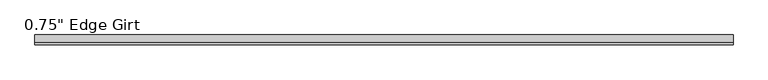
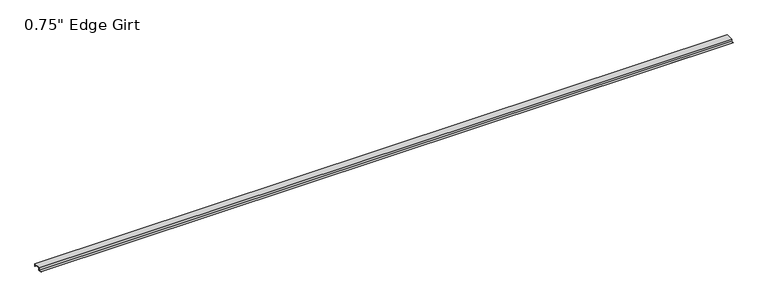
"""IFC4 building model written with IfcOpenShell, lengths in millimetres: proxy geometry."""

import ifcopenshell
import ifcopenshell.guid

model = None  # the IFC model being written
_history = None  # IfcOwnerHistory: only IFC2X3 demands one
_inside = {}  # id of a spatial element -> (the spatial element, [elements in it])
_under = {}  # id of a project, library or spatial element -> (it, [spatial elements below it])
_declared = {}  # id of a project -> (the project, [libraries it declares])
_typed = {}  # id of a type object -> (the type object, [elements of that type])
_made_of = {}  # id of a material, layer set ... -> (it, [elements and type objects made of it])


def new_model(schema):
    """Start an empty IFC model of exactly this schema.

    Asked for "IFC4X3", IfcOpenShell would pick the latest addendum, in which some entities
    have other attributes; the version numbers below select the first issue.
    IFC2X3 requires an IfcOwnerHistory on every rooted entity: one is made here for all.
    """
    global model, _history
    if schema == "IFC4X3":
        model = ifcopenshell.file(schema_version=(4, 3, 0, 0))
    else:
        model = ifcopenshell.file(schema=schema)
    _inside.clear()
    _under.clear()
    _declared.clear()
    _typed.clear()
    _made_of.clear()
    _history = None
    if model.schema == "IFC2X3":
        org = make("IfcOrganization", Name="unknown")
        user = make(
            "IfcPersonAndOrganization",
            ThePerson=make("IfcPerson", FamilyName="unknown"),
            TheOrganization=org,
        )
        app = make(
            "IfcApplication",
            ApplicationDeveloper=org,
            Version="unknown",
            ApplicationFullName="unknown",
            ApplicationIdentifier="unknown",
        )
        _history = make(
            "IfcOwnerHistory",
            OwningUser=user,
            OwningApplication=app,
            ChangeAction="ADDED",
            CreationDate=0,
        )
    return model


def make(cls, **values):
    """One entity of the class cls with the attributes given. An attribute that is None is left unset."""
    return model.create_entity(
        cls, **{name: value for name, value in values.items() if value is not None}
    )


def rooted(cls, **values):
    """An entity with a GlobalId (a new one), such as an element, a storey or a relation."""
    return make(cls, GlobalId=ifcopenshell.guid.new(), OwnerHistory=_history, **values)


def si_unit(unit_type, name, prefix=None):
    """IfcSIUnit, for example si_unit("LENGTHUNIT", "METRE", prefix="MILLI")."""
    return make("IfcSIUnit", UnitType=unit_type, Prefix=prefix, Name=name)


def assignment(units):
    """IfcUnitAssignment: the units of a project."""
    return None if units is None else make("IfcUnitAssignment", Units=units)


def point(xyz):
    """IfcCartesianPoint."""
    return None if xyz is None else make("IfcCartesianPoint", Coordinates=xyz)


def direction(xyz):
    """IfcDirection."""
    return None if xyz is None else make("IfcDirection", DirectionRatios=xyz)


def frame(location, z_axis=None, x_axis=None):
    """IfcAxis2Placement3D, a coordinate frame: its origin and axes. An axis left out is left unset."""
    return make(
        "IfcAxis2Placement3D",
        Location=point(location),
        Axis=direction(z_axis),
        RefDirection=direction(x_axis),
    )


def origin():
    """The frame at (0, 0, 0) with its axes left unset."""
    return frame((0.0, 0.0, 0.0))


def place(relative_to, where):
    """IfcLocalPlacement: puts the frame where relative to a parent placement (None: the world)."""
    return make(
        "IfcLocalPlacement", PlacementRelTo=relative_to, RelativePlacement=where
    )


def context(
    kind, dimensions, precision=None, world=None, true_north=None, identifier=None
):
    """IfcGeometricRepresentationContext, for example the 3D "Model" context."""
    return make(
        "IfcGeometricRepresentationContext",
        ContextIdentifier=identifier,
        ContextType=kind,
        CoordinateSpaceDimension=dimensions,
        Precision=precision,
        WorldCoordinateSystem=world,
        TrueNorth=true_north,
    )


def project(units=None, contexts=None):
    """IfcProject with its units and contexts."""
    return rooted(
        "IfcProject",
        Name="project",
        RepresentationContexts=contexts,
        UnitsInContext=assignment(units),
    )


def spatial(cls, under=None, at=None, **own):
    """A site, building, storey or space (cls), placed at a placement, below another one or the project."""
    s = rooted(cls, ObjectPlacement=at, **own)
    if under is not None:
        _under.setdefault(under.id(), (under, []))[1].append(s)
    return s


def polyline(points):
    """IfcPolyline through the points."""
    return make("IfcPolyline", Points=[point(p) for p in points])


def outline(outer, holes=None, kind="AREA"):
    """IfcArbitraryClosedProfileDef: a profile drawn as a closed curve; with holes, ...WithVoids."""
    if holes is None:
        return make("IfcArbitraryClosedProfileDef", ProfileType=kind, OuterCurve=outer)
    return make(
        "IfcArbitraryProfileDefWithVoids",
        ProfileType=kind,
        OuterCurve=outer,
        InnerCurves=holes,
    )


def extrude(swept, where, along, depth):
    """IfcExtrudedAreaSolid: the profile swept, set in the frame where, extruded along a direction by depth."""
    return make(
        "IfcExtrudedAreaSolid",
        SweptArea=swept,
        Position=where,
        ExtrudedDirection=direction(along),
        Depth=depth,
    )


def shape(context_of_items, identifier, shape_type, items):
    """IfcShapeRepresentation: the items that make up one representation, for example the "Body"."""
    return make(
        "IfcShapeRepresentation",
        ContextOfItems=context_of_items,
        RepresentationIdentifier=identifier,
        RepresentationType=shape_type,
        Items=items,
    )


def source(mapping_origin, context_of_items, identifier, shape_type, items):
    """IfcRepresentationMap: a shape defined once, which mapped items show again and again."""
    return make(
        "IfcRepresentationMap",
        MappingOrigin=mapping_origin,
        MappedRepresentation=shape(context_of_items, identifier, shape_type, items),
    )


def transform(
    local_origin,
    x_axis=None,
    y_axis=None,
    z_axis=None,
    scale=None,
    scale2=None,
    scale3=None,
    uniform=True,
):
    """IfcCartesianTransformationOperator3D, or its non-uniform kind. x_axis, y_axis, z_axis: its Axis1, 2, 3."""
    if uniform:
        return make(
            "IfcCartesianTransformationOperator3D",
            Axis1=direction(x_axis),
            Axis2=direction(y_axis),
            LocalOrigin=point(local_origin),
            Scale=scale,
            Axis3=direction(z_axis),
        )
    return make(
        "IfcCartesianTransformationOperator3DnonUniform",
        Axis1=direction(x_axis),
        Axis2=direction(y_axis),
        LocalOrigin=point(local_origin),
        Scale=scale,
        Axis3=direction(z_axis),
        Scale2=scale2,
        Scale3=scale3,
    )


def mapped(mapping_source, mapping_target):
    """IfcMappedItem: shows the shape of a source again, moved by a transform."""
    return make(
        "IfcMappedItem", MappingSource=mapping_source, MappingTarget=mapping_target
    )


def made_of(thing, what):
    """Note that an element or type object is made of a material, layer set ...; save() writes the relation."""
    if what is not None:
        _made_of.setdefault(what.id(), (what, []))[1].append(thing)
    return thing


def element(
    cls,
    number,
    at=None,
    inside=None,
    cuts=None,
    type_object=None,
    material=None,
    context=None,
    identifier="Body",
    shape_type=None,
    held_by="IfcProductDefinitionShape",
    body=None,
    shapes=None,
    **own,
):
    """One element of the class cls, such as IfcWall. Its Tag is "e" and its number.

    at: its placement. inside: the storey or other place that contains it. cuts: it is an
    opening in that element (IfcRelVoidsElement). A single representation is given by context,
    identifier, shape_type and body (its items); several are given by shapes. held_by: the class
    of the entity that holds the representations. save() writes the other relations.
    """
    e = rooted(cls, Tag="e%d" % number, ObjectPlacement=at, **own)
    if body is not None:
        shapes = [shape(context, identifier, shape_type, body)]
    if shapes is not None:
        e.Representation = make(held_by, Representations=shapes)
    if inside is not None:
        _inside.setdefault(inside.id(), (inside, []))[1].append(e)
    if cuts is not None:
        rooted(
            "IfcRelVoidsElement", RelatingBuildingElement=cuts, RelatedOpeningElement=e
        )
    if type_object is not None:
        _typed.setdefault(type_object.id(), (type_object, []))[1].append(e)
    return made_of(e, material)


def aggregate(whole, parts):
    """IfcRelAggregates: a whole, such as a stair, and the parts it consists of."""
    return rooted("IfcRelAggregates", RelatingObject=whole, RelatedObjects=parts)


def save(model, path):
    """Write the relations noted so far, then the file.

    IfcRelAggregates (storeys below a building ...), IfcRelContainedInSpatialStructure (elements
    in a storey), IfcRelDefinesByType, IfcRelAssociatesMaterial and IfcRelDeclares: one each for
    every whole, place, type object, material and project.
    """
    for whole, parts in _under.values():
        aggregate(whole, parts)
    for where, things in _inside.values():
        rooted(
            "IfcRelContainedInSpatialStructure",
            RelatedElements=things,
            RelatingStructure=where,
        )
    for kind, things in _typed.values():
        rooted("IfcRelDefinesByType", RelatedObjects=things, RelatingType=kind)
    for what, things in _made_of.values():
        rooted("IfcRelAssociatesMaterial", RelatedObjects=things, RelatingMaterial=what)
    for by, libraries in _declared.values():
        rooted("IfcRelDeclares", RelatingContext=by, RelatedDefinitions=libraries)
    model.write(path)


def proxy_2b679f9f(model_context):
    return source(origin(), model_context, "Body", "SweptSolid", [
        extrude(outline(polyline([(-46.0559645, -17.4375), (-46.0559645, -15.8242), (-27.0129, -15.8242), (-27.0129, 1.6129), (27.0129, 1.6129), (27.0129, -17.4375), (25.4, -17.4375), (25.4, 0.0), (-25.4, 0.0), (-25.4, -17.4375), (-46.0559645, -17.4375)])), frame((0.0, 0.0, 0.0), z_axis=(1.0, 0.0, 0.0), x_axis=(0.0, 1.0, 0.0)), (0.0, 0.0, 1.0), 5167.3125),
    ])


if __name__ == "__main__":
    model = new_model("IFC4")
    model_context = context("Model", 3, world=origin())
    ifc_project = project(units=[si_unit("LENGTHUNIT", "METRE", prefix="MILLI")], contexts=[model_context])
    site = spatial("IfcSite", under=ifc_project)
    building = spatial("IfcBuilding", under=site)
    placement = place(None, origin())
    proxy_shape = proxy_2b679f9f(model_context)
    element("IfcBuildingElementProxy", 1, Name="0.75\" Edge Girt", ObjectType="0.75\" Edge Girt", at=placement, inside=building, context=model_context, shape_type="MappedRepresentation", body=[
        mapped(proxy_shape, transform((0.0, 0.0, 0.0), x_axis=(1.0, 0.0, 0.0), y_axis=(0.0, 1.0, 0.0), z_axis=(0.0, 0.0, 1.0))),
    ])
    save(model, "model.ifc")
